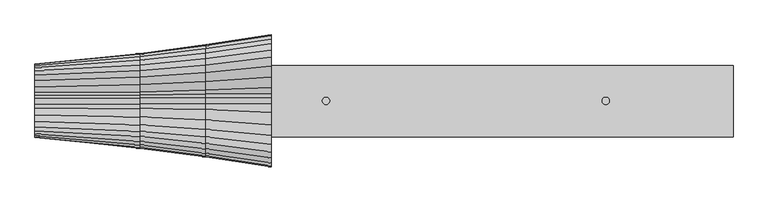
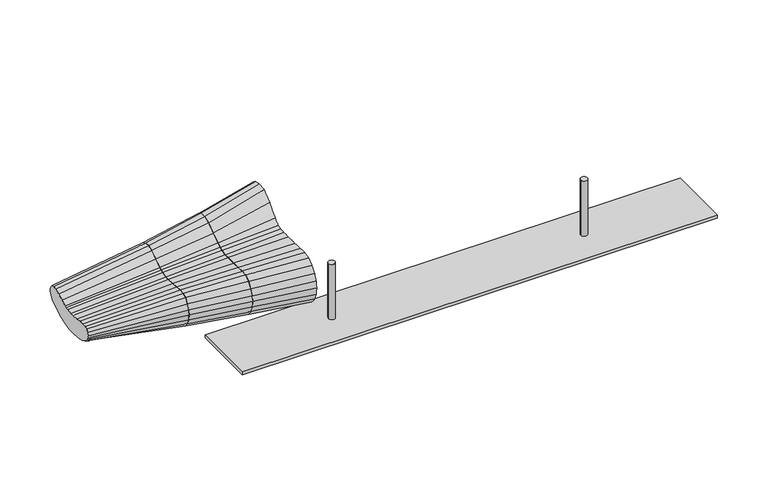
"""IFC4 building model written with IfcOpenShell, lengths in millimetres: furniture geometry."""

import ifcopenshell
import ifcopenshell.guid

model = None  # the IFC model being written
_history = None  # IfcOwnerHistory: only IFC2X3 demands one
_inside = {}  # id of a spatial element -> (the spatial element, [elements in it])
_under = {}  # id of a project, library or spatial element -> (it, [spatial elements below it])
_declared = {}  # id of a project -> (the project, [libraries it declares])
_typed = {}  # id of a type object -> (the type object, [elements of that type])
_made_of = {}  # id of a material, layer set ... -> (it, [elements and type objects made of it])


def new_model(schema):
    """Start an empty IFC model of exactly this schema.

    Asked for "IFC4X3", IfcOpenShell would pick the latest addendum, in which some entities
    have other attributes; the version numbers below select the first issue.
    IFC2X3 requires an IfcOwnerHistory on every rooted entity: one is made here for all.
    """
    global model, _history
    if schema == "IFC4X3":
        model = ifcopenshell.file(schema_version=(4, 3, 0, 0))
    else:
        model = ifcopenshell.file(schema=schema)
    _inside.clear()
    _under.clear()
    _declared.clear()
    _typed.clear()
    _made_of.clear()
    _history = None
    if model.schema == "IFC2X3":
        org = make("IfcOrganization", Name="unknown")
        user = make(
            "IfcPersonAndOrganization",
            ThePerson=make("IfcPerson", FamilyName="unknown"),
            TheOrganization=org,
        )
        app = make(
            "IfcApplication",
            ApplicationDeveloper=org,
            Version="unknown",
            ApplicationFullName="unknown",
            ApplicationIdentifier="unknown",
        )
        _history = make(
            "IfcOwnerHistory",
            OwningUser=user,
            OwningApplication=app,
            ChangeAction="ADDED",
            CreationDate=0,
        )
    return model


def make(cls, **values):
    """One entity of the class cls with the attributes given. An attribute that is None is left unset."""
    return model.create_entity(
        cls, **{name: value for name, value in values.items() if value is not None}
    )


def rooted(cls, **values):
    """An entity with a GlobalId (a new one), such as an element, a storey or a relation."""
    return make(cls, GlobalId=ifcopenshell.guid.new(), OwnerHistory=_history, **values)


def si_unit(unit_type, name, prefix=None):
    """IfcSIUnit, for example si_unit("LENGTHUNIT", "METRE", prefix="MILLI")."""
    return make("IfcSIUnit", UnitType=unit_type, Prefix=prefix, Name=name)


def assignment(units):
    """IfcUnitAssignment: the units of a project."""
    return None if units is None else make("IfcUnitAssignment", Units=units)


def point(xyz):
    """IfcCartesianPoint."""
    return None if xyz is None else make("IfcCartesianPoint", Coordinates=xyz)


def direction(xyz):
    """IfcDirection."""
    return None if xyz is None else make("IfcDirection", DirectionRatios=xyz)


def frame(location, z_axis=None, x_axis=None):
    """IfcAxis2Placement3D, a coordinate frame: its origin and axes. An axis left out is left unset."""
    return make(
        "IfcAxis2Placement3D",
        Location=point(location),
        Axis=direction(z_axis),
        RefDirection=direction(x_axis),
    )


def frame_2d(location, x_axis=None):
    """IfcAxis2Placement2D, a coordinate frame in the plane: its origin and x axis."""
    return make(
        "IfcAxis2Placement2D", Location=point(location), RefDirection=direction(x_axis)
    )


def origin():
    """The frame at (0, 0, 0) with its axes left unset."""
    return frame((0.0, 0.0, 0.0))


def origin_with_axes():
    """The frame at (0, 0, 0) with the z axis (0, 0, 1) and the x axis (1, 0, 0) written out."""
    return frame((0.0, 0.0, 0.0), z_axis=(0.0, 0.0, 1.0), x_axis=(1.0, 0.0, 0.0))


def place(relative_to, where):
    """IfcLocalPlacement: puts the frame where relative to a parent placement (None: the world)."""
    return make(
        "IfcLocalPlacement", PlacementRelTo=relative_to, RelativePlacement=where
    )


def context(
    kind, dimensions, precision=None, world=None, true_north=None, identifier=None
):
    """IfcGeometricRepresentationContext, for example the 3D "Model" context."""
    return make(
        "IfcGeometricRepresentationContext",
        ContextIdentifier=identifier,
        ContextType=kind,
        CoordinateSpaceDimension=dimensions,
        Precision=precision,
        WorldCoordinateSystem=world,
        TrueNorth=true_north,
    )


def project(units=None, contexts=None):
    """IfcProject with its units and contexts."""
    return rooted(
        "IfcProject",
        Name="project",
        RepresentationContexts=contexts,
        UnitsInContext=assignment(units),
    )


def spatial(cls, under=None, at=None, **own):
    """A site, building, storey or space (cls), placed at a placement, below another one or the project."""
    s = rooted(cls, ObjectPlacement=at, **own)
    if under is not None:
        _under.setdefault(under.id(), (under, []))[1].append(s)
    return s


def polyline(points):
    """IfcPolyline through the points."""
    return make("IfcPolyline", Points=[point(p) for p in points])


def circle_curve(where, radius):
    """IfcCircle in the frame where."""
    return make("IfcCircle", Position=where, Radius=radius)


def trimmed(basis, trim1, trim2, sense, master):
    """IfcTrimmedCurve: the piece of a basis curve between two trims."""
    return make(
        "IfcTrimmedCurve",
        BasisCurve=basis,
        Trim1=trim1,
        Trim2=trim2,
        SenseAgreement=sense,
        MasterRepresentation=master,
    )


def segment(curve, same_sense, transition):
    """IfcCompositeCurveSegment."""
    return make(
        "IfcCompositeCurveSegment",
        Transition=transition,
        SameSense=same_sense,
        ParentCurve=curve,
    )


def composite_curve(segments, self_intersect=None):
    """IfcCompositeCurve: segments joined end to end."""
    return make("IfcCompositeCurve", Segments=segments, SelfIntersect=self_intersect)


def outline(outer, holes=None, kind="AREA"):
    """IfcArbitraryClosedProfileDef: a profile drawn as a closed curve; with holes, ...WithVoids."""
    if holes is None:
        return make("IfcArbitraryClosedProfileDef", ProfileType=kind, OuterCurve=outer)
    return make(
        "IfcArbitraryProfileDefWithVoids",
        ProfileType=kind,
        OuterCurve=outer,
        InnerCurves=holes,
    )


def extrude(swept, where, along, depth):
    """IfcExtrudedAreaSolid: the profile swept, set in the frame where, extruded along a direction by depth."""
    return make(
        "IfcExtrudedAreaSolid",
        SweptArea=swept,
        Position=where,
        ExtrudedDirection=direction(along),
        Depth=depth,
    )


def shape(context_of_items, identifier, shape_type, items):
    """IfcShapeRepresentation: the items that make up one representation, for example the "Body"."""
    return make(
        "IfcShapeRepresentation",
        ContextOfItems=context_of_items,
        RepresentationIdentifier=identifier,
        RepresentationType=shape_type,
        Items=items,
    )


def source(mapping_origin, context_of_items, identifier, shape_type, items):
    """IfcRepresentationMap: a shape defined once, which mapped items show again and again."""
    return make(
        "IfcRepresentationMap",
        MappingOrigin=mapping_origin,
        MappedRepresentation=shape(context_of_items, identifier, shape_type, items),
    )


def transform(
    local_origin,
    x_axis=None,
    y_axis=None,
    z_axis=None,
    scale=None,
    scale2=None,
    scale3=None,
    uniform=True,
):
    """IfcCartesianTransformationOperator3D, or its non-uniform kind. x_axis, y_axis, z_axis: its Axis1, 2, 3."""
    if uniform:
        return make(
            "IfcCartesianTransformationOperator3D",
            Axis1=direction(x_axis),
            Axis2=direction(y_axis),
            LocalOrigin=point(local_origin),
            Scale=scale,
            Axis3=direction(z_axis),
        )
    return make(
        "IfcCartesianTransformationOperator3DnonUniform",
        Axis1=direction(x_axis),
        Axis2=direction(y_axis),
        LocalOrigin=point(local_origin),
        Scale=scale,
        Axis3=direction(z_axis),
        Scale2=scale2,
        Scale3=scale3,
    )


def mapped(mapping_source, mapping_target):
    """IfcMappedItem: shows the shape of a source again, moved by a transform."""
    return make(
        "IfcMappedItem", MappingSource=mapping_source, MappingTarget=mapping_target
    )


def made_of(thing, what):
    """Note that an element or type object is made of a material, layer set ...; save() writes the relation."""
    if what is not None:
        _made_of.setdefault(what.id(), (what, []))[1].append(thing)
    return thing


def element(
    cls,
    number,
    at=None,
    inside=None,
    cuts=None,
    type_object=None,
    material=None,
    context=None,
    identifier="Body",
    shape_type=None,
    held_by="IfcProductDefinitionShape",
    body=None,
    shapes=None,
    **own,
):
    """One element of the class cls, such as IfcWall. Its Tag is "e" and its number.

    at: its placement. inside: the storey or other place that contains it. cuts: it is an
    opening in that element (IfcRelVoidsElement). A single representation is given by context,
    identifier, shape_type and body (its items); several are given by shapes. held_by: the class
    of the entity that holds the representations. save() writes the other relations.
    """
    e = rooted(cls, Tag="e%d" % number, ObjectPlacement=at, **own)
    if body is not None:
        shapes = [shape(context, identifier, shape_type, body)]
    if shapes is not None:
        e.Representation = make(held_by, Representations=shapes)
    if inside is not None:
        _inside.setdefault(inside.id(), (inside, []))[1].append(e)
    if cuts is not None:
        rooted(
            "IfcRelVoidsElement", RelatingBuildingElement=cuts, RelatedOpeningElement=e
        )
    if type_object is not None:
        _typed.setdefault(type_object.id(), (type_object, []))[1].append(e)
    return made_of(e, material)


def aggregate(whole, parts):
    """IfcRelAggregates: a whole, such as a stair, and the parts it consists of."""
    return rooted("IfcRelAggregates", RelatingObject=whole, RelatedObjects=parts)


def save(model, path):
    """Write the relations noted so far, then the file.

    IfcRelAggregates (storeys below a building ...), IfcRelContainedInSpatialStructure (elements
    in a storey), IfcRelDefinesByType, IfcRelAssociatesMaterial and IfcRelDeclares: one each for
    every whole, place, type object, material and project.
    """
    for whole, parts in _under.values():
        aggregate(whole, parts)
    for where, things in _inside.values():
        rooted(
            "IfcRelContainedInSpatialStructure",
            RelatedElements=things,
            RelatingStructure=where,
        )
    for kind, things in _typed.values():
        rooted("IfcRelDefinesByType", RelatedObjects=things, RelatingType=kind)
    for what, things in _made_of.values():
        rooted("IfcRelAssociatesMaterial", RelatedObjects=things, RelatingMaterial=what)
    for by, libraries in _declared.values():
        rooted("IfcRelDeclares", RelatingContext=by, RelatedDefinitions=libraries)
    model.write(path)


def plane_surface(at):
    """IfcPlane: the flat surface through the origin of the frame at, square to its z axis."""
    return make("IfcPlane", Position=at)


def spline_surface(u_degree, v_degree, points, u_multiplicities, v_multiplicities, u_knots, v_knots, weights=None):
    """IfcBSplineSurfaceWithKnots; with weights, IfcRationalBSplineSurfaceWithKnots. points: one row for each step in u."""
    own = dict(
        UDegree=u_degree,
        VDegree=v_degree,
        ControlPointsList=[[point(p) for p in row] for row in points],
        SurfaceForm="UNSPECIFIED",
        UClosed=False,
        VClosed=False,
        SelfIntersect=False,
        UMultiplicities=u_multiplicities,
        VMultiplicities=v_multiplicities,
        UKnots=u_knots,
        VKnots=v_knots,
        KnotSpec="UNSPECIFIED",
    )
    if weights is None:
        return make("IfcBSplineSurfaceWithKnots", **own)
    return make("IfcRationalBSplineSurfaceWithKnots", WeightsData=weights, **own)


def advanced_brep(points, edges, surfaces, faces):
    """IfcAdvancedBrep: a solid bounded by faces that lie on surfaces and meet in shared edges.

    An edge is (start, end): straight between two places in points (the first is 0);
    or (start, end, curve); or (start, end, curve, False) where it runs against its curve.
    A face is (place in surfaces, loops), or (place, loops, False) where it looks against
    its surface's normal. A loop lists edges by number (the first is 1), with a minus sign
    where the edge is run from its end to its start. The first loop is the outer one.
    """
    corners = [point(p) for p in points]
    vertices = [make("IfcVertexPoint", VertexGeometry=c) for c in corners]
    made = []
    for start, end, *more in edges:
        made.append(
            make(
                "IfcEdgeCurve",
                EdgeStart=vertices[start],
                EdgeEnd=vertices[end],
                EdgeGeometry=more[0] if more else make("IfcPolyline", Points=[corners[start], corners[end]]),
                SameSense=more[1] if len(more) > 1 else True,
            )
        )
    hull = []
    for where, loops, *sense in faces:
        bounds = []
        for j, loop in enumerate(loops):
            ring = [make("IfcOrientedEdge", EdgeElement=made[abs(k) - 1], Orientation=k > 0) for k in loop]
            bounds.append(
                make(
                    "IfcFaceOuterBound" if j == 0 else "IfcFaceBound",
                    Bound=make("IfcEdgeLoop", EdgeList=ring),
                    Orientation=True,
                )
            )
        hull.append(make("IfcAdvancedFace", Bounds=bounds, FaceSurface=surfaces[where], SameSense=sense[0] if sense else True))
    return make("IfcAdvancedBrep", Outer=make("IfcClosedShell", CfsFaces=hull))


def furniture_f8c9f917(model_context):
    return source(origin(), model_context, "Body", "SolidModel", [
        advanced_brep(
        [(-683.6527292, -227.4947259, 367.427609), (-683.6527292, -231.2008769, 341.0958587), (-683.6527292, -227.4689281, 313.2198712), (-683.6527292, -216.8093498, 287.2412607), (-683.6527292, -198.7377784, 264.1808042), (-683.6527292, -169.4444356, 248.7341998), (-683.6527292, -116.3975646, 235.0542754), (-683.6527292, -44.0139241, 226.7510395), (-683.6527292, 0.0, 226.577558), (-683.6527292, 44.1240146, 232.0407057), (-683.6527292, 114.932029, 247.9028734), (-683.6527292, 155.1426923, 272.4848758), (-683.6527292, 177.7269061, 289.4243578), (-683.6527292, 203.1050809, 319.6454601), (-683.6527292, 223.9890714, 359.0169668), (-683.6527292, 231.2008769, 411.6522715), (-683.6527292, 227.4947259, 458.7724694), (-683.6527292, 216.8380544, 490.8662953), (-683.6527292, 199.7310499, 512.9957585), (-683.6527292, 177.7669109, 529.316274), (-683.6527292, 152.5168533, 534.1466114), (-683.6527292, 121.8045383, 531.6729615), (-683.6527292, 83.4446432, 500.5646496), (-683.6527292, 47.1601437, 459.0756486), (-683.6527292, 26.0260436, 441.5130578), (-683.6527292, 9.9732296, 436.2193766), (-683.6527292, -10.5670489, 435.600628), (-683.6527292, -41.4584705, 435.1932764), (-683.6527292, -83.4446432, 435.3574379), (-683.6527292, -121.8045383, 437.3336254), (-683.6527292, -152.5168533, 438.6781291), (-683.6527292, -177.7669109, 432.0204323), (-683.6527292, -199.7310499, 415.2632066), (-683.6527292, -216.8380544, 392.1477571), (-910.9237405, -192.6913452, 365.9316974), (-910.9237405, -183.0976902, 388.399621), (-910.9237405, -167.7064967, 410.1720566), (-910.9237405, -148.0869548, 424.6982411), (-910.9237405, -125.8084273, 426.040056), (-910.9237405, -99.4316488, 425.0366652), (-910.9237405, -67.517345, 423.642637), (-910.9237405, -30.6347466, 423.5670238), (-910.9237405, -10.5659805, 423.0733767), (-910.9237405, 9.7496888, 428.8164854), (-910.9237405, 23.5020447, 433.307563), (-910.9237405, 37.2542508, 443.7289109), (-910.9237405, 67.5171906, 464.5594345), (-910.9237405, 99.4316488, 487.249801), (-910.9237405, 125.8084273, 497.9096518), (-910.9237405, 148.0868003, 498.3507222), (-910.9237405, 167.7064967, 485.1114867), (-910.9237405, 183.0976902, 464.13268), (-910.9237405, 192.6911817, 437.5545422), (-910.9237405, 196.0386518, 403.0430586), (-910.9237405, 187.6781519, 366.1150437), (-910.9237405, 174.6185566, 331.942275), (-910.9237405, 155.2252999, 303.9373346), (-910.9237405, 134.9873546, 285.8266487), (-910.9237405, 92.6081464, 266.1832983), (-910.9237405, 36.0640164, 245.8591391), (-910.9237405, 0.0, 236.3880057), (-910.9237405, -33.9640424, 239.0120098), (-910.9237405, -94.073691, 245.9588423), (-910.9237405, -141.8395617, 261.6403343), (-910.9237405, -167.7064967, 274.2216884), (-910.9237405, -184.1712802, 295.4385438), (-910.9237405, -193.1368848, 319.7888743), (-910.9237405, -196.4842096, 345.5392284)],
        [
            (0, 1),
            (1, 2),
            (2, 3),
            (3, 4),
            (4, 5),
            (5, 6),
            (6, 7),
            (7, 8),
            (8, 9),
            (9, 10),
            (10, 11),
            (11, 12),
            (12, 13),
            (13, 14),
            (14, 15),
            (15, 16),
            (16, 17),
            (17, 18),
            (18, 19),
            (19, 20),
            (20, 21),
            (21, 22),
            (22, 23),
            (23, 24),
            (24, 25),
            (25, 26),
            (26, 27),
            (27, 28),
            (28, 29),
            (29, 30),
            (30, 31),
            (31, 32),
            (32, 33),
            (33, 0),
            (34, 35),
            (35, 36),
            (36, 37),
            (37, 38),
            (38, 39),
            (39, 40),
            (40, 41),
            (41, 42),
            (42, 43),
            (43, 44),
            (44, 45),
            (45, 46),
            (46, 47),
            (47, 48),
            (48, 49),
            (49, 50),
            (50, 51),
            (51, 52),
            (52, 53),
            (53, 54),
            (54, 55),
            (55, 56),
            (56, 57),
            (57, 58),
            (58, 59),
            (59, 60),
            (60, 61),
            (61, 62),
            (62, 63),
            (63, 64),
            (64, 65),
            (65, 66),
            (66, 67),
            (67, 34),
            (34, 0),
            (33, 35),
            (32, 36),
            (31, 37),
            (30, 38),
            (29, 39),
            (28, 40),
            (27, 41),
            (26, 42),
            (25, 43),
            (24, 44),
            (23, 45),
            (22, 46),
            (21, 47),
            (20, 48),
            (19, 49),
            (18, 50),
            (17, 51),
            (16, 52),
            (15, 53),
            (14, 54),
            (13, 55),
            (12, 56),
            (11, 57),
            (10, 58),
            (9, 59),
            (8, 60),
            (7, 61),
            (6, 62),
            (5, 63),
            (4, 64),
            (3, 65),
            (2, 66),
            (1, 67),
        ],
        [
            plane_surface(frame((-683.6527292, -0.668185, 381.152576), z_axis=(1.0, 0.0, 0.0), x_axis=(0.0, 0.6116033969807337, -0.791164511844172))),
            plane_surface(frame((-910.9237405, -0.1426825, 375.652264), z_axis=(-1.0, 0.0, 0.0), x_axis=(0.0, 0.6116033969807337, -0.791164511844172))),
            spline_surface(1, 1, [[(-910.9237405, -183.0976902, 388.399621), (-683.6527292, -216.8380544, 392.1477571)], [(-910.9237405, -192.6913452, 365.9316974), (-683.6527292, -227.4947259, 367.427609)]], [2, 2], [2, 2], [0.0, 1.0], [0.0, 1.0]),
            spline_surface(1, 1, [[(-910.9237405, -167.7064967, 410.1720566), (-683.6527292, -199.7310499, 415.2632066)], [(-910.9237405, -183.0976902, 388.399621), (-683.6527292, -216.8380544, 392.1477571)]], [2, 2], [2, 2], [0.0, 1.0], [0.0, 1.0]),
            spline_surface(1, 1, [[(-910.9237405, -148.0869548, 424.6982411), (-683.6527292, -177.7669109, 432.0204323)], [(-910.9237405, -167.7064967, 410.1720566), (-683.6527292, -199.7310499, 415.2632066)]], [2, 2], [2, 2], [0.0, 1.0], [0.0, 1.0]),
            spline_surface(1, 1, [[(-910.9237405, -125.8084273, 426.040056), (-683.6527292, -152.5168533, 438.6781291)], [(-910.9237405, -148.0869548, 424.6982411), (-683.6527292, -177.7669109, 432.0204323)]], [2, 2], [2, 2], [0.0, 1.0], [0.0, 1.0]),
            spline_surface(1, 1, [[(-910.9237405, -99.4316488, 425.0366652), (-683.6527292, -121.8045383, 437.3336254)], [(-910.9237405, -125.8084273, 426.040056), (-683.6527292, -152.5168533, 438.6781291)]], [2, 2], [2, 2], [0.0, 1.0], [0.0, 1.0]),
            spline_surface(1, 1, [[(-910.9237405, -67.517345, 423.642637), (-683.6527292, -83.4446432, 435.3574379)], [(-910.9237405, -99.4316488, 425.0366652), (-683.6527292, -121.8045383, 437.3336254)]], [2, 2], [2, 2], [0.0, 1.0], [0.0, 1.0]),
            spline_surface(1, 1, [[(-910.9237405, -30.6347466, 423.5670238), (-683.6527292, -41.4584705, 435.1932764)], [(-910.9237405, -67.517345, 423.642637), (-683.6527292, -83.4446432, 435.3574379)]], [2, 2], [2, 2], [0.0, 1.0], [0.0, 1.0]),
            spline_surface(1, 1, [[(-910.9237405, -10.5659805, 423.0733767), (-683.6527292, -10.5670489, 435.600628)], [(-910.9237405, -30.6347466, 423.5670238), (-683.6527292, -41.4584705, 435.1932764)]], [2, 2], [2, 2], [0.0, 1.0], [0.0, 1.0]),
            spline_surface(1, 1, [[(-910.9237405, 9.7496888, 428.8164854), (-683.6527292, 9.9732296, 436.2193766)], [(-910.9237405, -10.5659805, 423.0733767), (-683.6527292, -10.5670489, 435.600628)]], [2, 2], [2, 2], [0.0, 1.0], [0.0, 1.0]),
            spline_surface(1, 1, [[(-910.9237405, 23.5020447, 433.307563), (-683.6527292, 26.0260436, 441.5130578)], [(-910.9237405, 9.7496888, 428.8164854), (-683.6527292, 9.9732296, 436.2193766)]], [2, 2], [2, 2], [0.0, 1.0], [0.0, 1.0]),
            spline_surface(1, 1, [[(-910.9237405, 37.2542508, 443.7289109), (-683.6527292, 47.1601437, 459.0756486)], [(-910.9237405, 23.5020447, 433.307563), (-683.6527292, 26.0260436, 441.5130578)]], [2, 2], [2, 2], [0.0, 1.0], [0.0, 1.0]),
            spline_surface(1, 1, [[(-910.9237405, 67.5171906, 464.5594345), (-683.6527292, 83.4446432, 500.5646496)], [(-910.9237405, 37.2542508, 443.7289109), (-683.6527292, 47.1601437, 459.0756486)]], [2, 2], [2, 2], [0.0, 1.0], [0.0, 1.0]),
            spline_surface(1, 1, [[(-910.9237405, 99.4316488, 487.249801), (-683.6527292, 121.8045383, 531.6729615)], [(-910.9237405, 67.5171906, 464.5594345), (-683.6527292, 83.4446432, 500.5646496)]], [2, 2], [2, 2], [0.0, 1.0], [0.0, 1.0]),
            spline_surface(1, 1, [[(-910.9237405, 125.8084273, 497.9096518), (-683.6527292, 152.5168533, 534.1466114)], [(-910.9237405, 99.4316488, 487.249801), (-683.6527292, 121.8045383, 531.6729615)]], [2, 2], [2, 2], [0.0, 1.0], [0.0, 1.0]),
            spline_surface(1, 1, [[(-910.9237405, 148.0868003, 498.3507222), (-683.6527292, 177.7669109, 529.316274)], [(-910.9237405, 125.8084273, 497.9096518), (-683.6527292, 152.5168533, 534.1466114)]], [2, 2], [2, 2], [0.0, 1.0], [0.0, 1.0]),
            spline_surface(1, 1, [[(-910.9237405, 167.7064967, 485.1114867), (-683.6527292, 199.7310499, 512.9957585)], [(-910.9237405, 148.0868003, 498.3507222), (-683.6527292, 177.7669109, 529.316274)]], [2, 2], [2, 2], [0.0, 1.0], [0.0, 1.0]),
            spline_surface(1, 1, [[(-910.9237405, 183.0976902, 464.13268), (-683.6527292, 216.8380544, 490.8662953)], [(-910.9237405, 167.7064967, 485.1114867), (-683.6527292, 199.7310499, 512.9957585)]], [2, 2], [2, 2], [0.0, 1.0], [0.0, 1.0]),
            spline_surface(1, 1, [[(-910.9237405, 192.6911817, 437.5545422), (-683.6527292, 227.4947259, 458.7724694)], [(-910.9237405, 183.0976902, 464.13268), (-683.6527292, 216.8380544, 490.8662953)]], [2, 2], [2, 2], [0.0, 1.0], [0.0, 1.0]),
            spline_surface(1, 1, [[(-910.9237405, 196.0386518, 403.0430586), (-683.6527292, 231.2008769, 411.6522715)], [(-910.9237405, 192.6911817, 437.5545422), (-683.6527292, 227.4947259, 458.7724694)]], [2, 2], [2, 2], [0.0, 1.0], [0.0, 1.0]),
            spline_surface(1, 1, [[(-910.9237405, 187.6781519, 366.1150437), (-683.6527292, 223.9890714, 359.0169668)], [(-910.9237405, 196.0386518, 403.0430586), (-683.6527292, 231.2008769, 411.6522715)]], [2, 2], [2, 2], [0.0, 1.0], [0.0, 1.0]),
            spline_surface(1, 1, [[(-910.9237405, 174.6185566, 331.942275), (-683.6527292, 203.1050809, 319.6454601)], [(-910.9237405, 187.6781519, 366.1150437), (-683.6527292, 223.9890714, 359.0169668)]], [2, 2], [2, 2], [0.0, 1.0], [0.0, 1.0]),
            spline_surface(1, 1, [[(-910.9237405, 155.2252999, 303.9373346), (-683.6527292, 177.7269061, 289.4243578)], [(-910.9237405, 174.6185566, 331.942275), (-683.6527292, 203.1050809, 319.6454601)]], [2, 2], [2, 2], [0.0, 1.0], [0.0, 1.0]),
            spline_surface(1, 1, [[(-910.9237405, 134.9873546, 285.8266487), (-683.6527292, 155.1426923, 272.4848758)], [(-910.9237405, 155.2252999, 303.9373346), (-683.6527292, 177.7269061, 289.4243578)]], [2, 2], [2, 2], [0.0, 1.0], [0.0, 1.0]),
            spline_surface(1, 1, [[(-910.9237405, 92.6081464, 266.1832983), (-683.6527292, 114.932029, 247.9028734)], [(-910.9237405, 134.9873546, 285.8266487), (-683.6527292, 155.1426923, 272.4848758)]], [2, 2], [2, 2], [0.0, 1.0], [0.0, 1.0]),
            spline_surface(1, 1, [[(-910.9237405, 36.0640164, 245.8591391), (-683.6527292, 44.1240146, 232.0407057)], [(-910.9237405, 92.6081464, 266.1832983), (-683.6527292, 114.932029, 247.9028734)]], [2, 2], [2, 2], [0.0, 1.0], [0.0, 1.0]),
            spline_surface(1, 1, [[(-910.9237405, 0.0, 236.3880057), (-683.6527292, 0.0, 226.577558)], [(-910.9237405, 36.0640164, 245.8591391), (-683.6527292, 44.1240146, 232.0407057)]], [2, 2], [2, 2], [0.0, 1.0], [0.0, 1.0]),
            spline_surface(1, 1, [[(-910.9237405, -33.9640424, 239.0120098), (-683.6527292, -44.0139241, 226.7510395)], [(-910.9237405, 0.0, 236.3880057), (-683.6527292, 0.0, 226.577558)]], [2, 2], [2, 2], [0.0, 1.0], [0.0, 1.0]),
            spline_surface(1, 1, [[(-910.9237405, -94.073691, 245.9588423), (-683.6527292, -116.3975646, 235.0542754)], [(-910.9237405, -33.9640424, 239.0120098), (-683.6527292, -44.0139241, 226.7510395)]], [2, 2], [2, 2], [0.0, 1.0], [0.0, 1.0]),
            spline_surface(1, 1, [[(-910.9237405, -141.8395617, 261.6403343), (-683.6527292, -169.4444356, 248.7341998)], [(-910.9237405, -94.073691, 245.9588423), (-683.6527292, -116.3975646, 235.0542754)]], [2, 2], [2, 2], [0.0, 1.0], [0.0, 1.0]),
            spline_surface(1, 1, [[(-910.9237405, -167.7064967, 274.2216884), (-683.6527292, -198.7377784, 264.1808042)], [(-910.9237405, -141.8395617, 261.6403343), (-683.6527292, -169.4444356, 248.7341998)]], [2, 2], [2, 2], [0.0, 1.0], [0.0, 1.0]),
            spline_surface(1, 1, [[(-910.9237405, -184.1712802, 295.4385438), (-683.6527292, -216.8093498, 287.2412607)], [(-910.9237405, -167.7064967, 274.2216884), (-683.6527292, -198.7377784, 264.1808042)]], [2, 2], [2, 2], [0.0, 1.0], [0.0, 1.0]),
            spline_surface(1, 1, [[(-910.9237405, -193.1368848, 319.7888743), (-683.6527292, -227.4689281, 313.2198712)], [(-910.9237405, -184.1712802, 295.4385438), (-683.6527292, -216.8093498, 287.2412607)]], [2, 2], [2, 2], [0.0, 1.0], [0.0, 1.0]),
            spline_surface(1, 1, [[(-910.9237405, -196.4842096, 345.5392284), (-683.6527292, -231.2008769, 341.0958587)], [(-910.9237405, -193.1368848, 319.7888743), (-683.6527292, -227.4689281, 313.2198712)]], [2, 2], [2, 2], [0.0, 1.0], [0.0, 1.0]),
            spline_surface(1, 1, [[(-910.9237405, -192.6913452, 365.9316974), (-683.6527292, -227.4947259, 367.427609)], [(-910.9237405, -196.4842096, 345.5392284), (-683.6527292, -231.2008769, 341.0958587)]], [2, 2], [2, 2], [0.0, 1.0], [0.0, 1.0]),
        ],
        [
            (0, [[1, 2, 3, 4, 5, 6, 7, 8, 9, 10, 11, 12, 13, 14, 15, 16, 17, 18, 19, 20, 21, 22, 23, 24, 25, 26, 27, 28, 29, 30, 31, 32, 33, 34]]),
            (1, [[35, 36, 37, 38, 39, 40, 41, 42, 43, 44, 45, 46, 47, 48, 49, 50, 51, 52, 53, 54, 55, 56, 57, 58, 59, 60, 61, 62, 63, 64, 65, 66, 67, 68]]),
            (2, [[-35, 69, -34, 70]]),
            (3, [[-36, -70, -33, 71]]),
            (4, [[-37, -71, -32, 72]]),
            (5, [[-38, -72, -31, 73]]),
            (6, [[-39, -73, -30, 74]]),
            (7, [[-40, -74, -29, 75]]),
            (8, [[-41, -75, -28, 76]]),
            (9, [[-42, -76, -27, 77]]),
            (10, [[-43, -77, -26, 78]]),
            (11, [[-44, -78, -25, 79]]),
            (12, [[-45, -79, -24, 80]]),
            (13, [[-46, -80, -23, 81]]),
            (14, [[-47, -81, -22, 82]]),
            (15, [[-48, -82, -21, 83]]),
            (16, [[-49, -83, -20, 84]]),
            (17, [[-50, -84, -19, 85]]),
            (18, [[-51, -85, -18, 86]]),
            (19, [[-52, -86, -17, 87]]),
            (20, [[-53, -87, -16, 88]]),
            (21, [[-54, -88, -15, 89]]),
            (22, [[-55, -89, -14, 90]]),
            (23, [[-56, -90, -13, 91]]),
            (24, [[-57, -91, -12, 92]]),
            (25, [[-58, -92, -11, 93]]),
            (26, [[-59, -93, -10, 94]]),
            (27, [[-60, -94, -9, 95]]),
            (28, [[-61, -95, -8, 96]]),
            (29, [[-62, -96, -7, 97]]),
            (30, [[-63, -97, -6, 98]]),
            (31, [[-64, -98, -5, 99]]),
            (32, [[-65, -99, -4, 100]]),
            (33, [[-66, -100, -3, 101]]),
            (34, [[-67, -101, -2, 102]]),
            (35, [[-68, -102, -1, -69]]),
        ],
    ),
        advanced_brep(
        [(-911.9284757, 125.8084273, 497.9096518), (-911.9284757, 99.4316488, 487.249801), (-911.9284757, 67.5171906, 464.5594345), (-911.9284757, 37.2542508, 443.7289109), (-911.9284757, 23.5020447, 433.307563), (-911.9284757, 9.7496888, 428.8164854), (-911.9284757, -10.5659805, 423.0733767), (-911.9284757, -30.6347466, 423.5670238), (-911.9284757, -67.517345, 423.642637), (-911.9284757, -99.4316488, 425.0366652), (-911.9284757, -125.8084273, 426.040056), (-911.9284757, -148.0869548, 424.6982411), (-911.9284757, -167.7064967, 410.1720566), (-911.9284757, -183.0976902, 388.399621), (-911.9284757, -192.6913452, 365.9316974), (-911.9284757, -196.4842096, 345.5392284), (-911.9284757, -193.1368848, 319.7888743), (-911.9284757, -184.1712802, 295.4385438), (-911.9284757, -167.7064967, 274.2216884), (-911.9284757, -141.8395617, 261.6403343), (-911.9284757, -94.073691, 245.9588423), (-911.9284757, -33.9640424, 239.0120098), (-911.9284757, 0.0, 236.3880057), (-911.9284757, 36.0640164, 245.8591391), (-911.9284757, 92.6081464, 266.1832983), (-911.9284757, 134.9873546, 285.8266487), (-911.9284757, 155.2252999, 303.9373346), (-911.9284757, 174.6185566, 331.942275), (-911.9284757, 187.6781519, 366.1150437), (-911.9284757, 196.0386518, 403.0430586), (-911.9284757, 192.6911817, 437.5545422), (-911.9284757, 183.0976902, 464.13268), (-911.9284757, 167.7064967, 485.1114867), (-911.9284757, 148.0868003, 498.3507222), (-1140.1810405, 106.2362117, 470.852655), (-1140.1810405, 125.2677444, 468.9080063), (-1140.1810405, 141.9264387, 462.5416434), (-1140.1810405, 154.9466469, 445.8054193), (-1140.1810405, 163.0622126, 424.2558263), (-1140.1810405, 165.8938893, 397.8062779), (-1140.1810405, 156.4086579, 372.9298167), (-1140.1810405, 146.4675042, 347.5870322), (-1140.1810405, 129.4453964, 326.4132883), (-1140.1810405, 112.1635661, 310.5622936), (-1140.1810405, 76.8941618, 287.8831183), (-1140.1810405, 30.2763792, 266.553352), (-1140.1810405, 0.0, 256.5882444), (-1140.1810405, -28.1764051, 258.5126727), (-1140.1810405, -78.3596974, 266.4864048), (-1140.1810405, -119.0156188, 281.2368489), (-1140.1810405, -141.9265931, 292.1468661), (-1140.1810405, -154.9466469, 308.1395854), (-1140.1810405, -163.0622126, 329.0616732), (-1140.1810405, -165.8938893, 351.69503), (-1140.1810405, -163.0622126, 369.6281287), (-1140.1810405, -154.9466469, 389.1131312), (-1140.1810405, -141.9265931, 407.7404826), (-1140.1810405, -125.2677444, 415.1289851), (-1140.1810405, -106.2362117, 418.2673837), (-1140.1810405, -83.7630104, 416.2499923), (-1140.1810405, -56.5870393, 413.1708924), (-1140.1810405, -26.2422572, 411.1880919), (-1140.1810405, -10.5618576, 411.9399356), (-1140.1810405, 9.9187192, 417.8136686), (-1140.1810405, 20.4054519, 422.2302232), (-1140.1810405, 30.8921846, 426.6468141), (-1140.1810405, 56.5870393, 446.0768417), (-1140.1810405, 83.7630104, 464.4063915)],
        [
            (0, 1),
            (1, 2),
            (2, 3),
            (3, 4),
            (4, 5),
            (5, 6),
            (6, 7),
            (7, 8),
            (8, 9),
            (9, 10),
            (10, 11),
            (11, 12),
            (12, 13),
            (13, 14),
            (14, 15),
            (15, 16),
            (16, 17),
            (17, 18),
            (18, 19),
            (19, 20),
            (20, 21),
            (21, 22),
            (22, 23),
            (23, 24),
            (24, 25),
            (25, 26),
            (26, 27),
            (27, 28),
            (28, 29),
            (29, 30),
            (30, 31),
            (31, 32),
            (32, 33),
            (33, 0),
            (34, 35),
            (35, 36),
            (36, 37),
            (37, 38),
            (38, 39),
            (39, 40),
            (40, 41),
            (41, 42),
            (42, 43),
            (43, 44),
            (44, 45),
            (45, 46),
            (46, 47),
            (47, 48),
            (48, 49),
            (49, 50),
            (50, 51),
            (51, 52),
            (52, 53),
            (53, 54),
            (54, 55),
            (55, 56),
            (56, 57),
            (57, 58),
            (58, 59),
            (59, 60),
            (60, 61),
            (61, 62),
            (62, 63),
            (63, 64),
            (64, 65),
            (65, 66),
            (66, 67),
            (67, 34),
            (34, 0),
            (33, 35),
            (32, 36),
            (31, 37),
            (30, 38),
            (29, 39),
            (28, 40),
            (27, 41),
            (26, 42),
            (25, 43),
            (24, 44),
            (23, 45),
            (22, 46),
            (21, 47),
            (20, 48),
            (19, 49),
            (18, 50),
            (17, 51),
            (16, 52),
            (15, 53),
            (14, 54),
            (13, 55),
            (12, 56),
            (11, 57),
            (10, 58),
            (9, 59),
            (8, 60),
            (7, 61),
            (6, 62),
            (5, 63),
            (4, 64),
            (3, 65),
            (2, 66),
            (1, 67),
        ],
        [
            plane_surface(frame((-911.9284757, -0.1426825, 375.652264), z_axis=(1.0, 0.0, 0.0), x_axis=(0.0, 0.09654274970373893, -0.9953288388666538))),
            plane_surface(frame((-1140.1810405, -0.2770418, 375.1637358), z_axis=(-1.0, 0.0, 0.0), x_axis=(0.0, 0.09654274970373893, -0.9953288388666538))),
            spline_surface(1, 1, [[(-1140.1810405, 125.2677444, 468.9080063), (-911.9284757, 148.0868003, 498.3507222)], [(-1140.1810405, 106.2362117, 470.852655), (-911.9284757, 125.8084273, 497.9096518)]], [2, 2], [2, 2], [0.0, 1.0], [0.0, 1.0]),
            spline_surface(1, 1, [[(-1140.1810405, 141.9264387, 462.5416434), (-911.9284757, 167.7064967, 485.1114867)], [(-1140.1810405, 125.2677444, 468.9080063), (-911.9284757, 148.0868003, 498.3507222)]], [2, 2], [2, 2], [0.0, 1.0], [0.0, 1.0]),
            spline_surface(1, 1, [[(-1140.1810405, 154.9466469, 445.8054193), (-911.9284757, 183.0976902, 464.13268)], [(-1140.1810405, 141.9264387, 462.5416434), (-911.9284757, 167.7064967, 485.1114867)]], [2, 2], [2, 2], [0.0, 1.0], [0.0, 1.0]),
            spline_surface(1, 1, [[(-1140.1810405, 163.0622126, 424.2558263), (-911.9284757, 192.6911817, 437.5545422)], [(-1140.1810405, 154.9466469, 445.8054193), (-911.9284757, 183.0976902, 464.13268)]], [2, 2], [2, 2], [0.0, 1.0], [0.0, 1.0]),
            spline_surface(1, 1, [[(-1140.1810405, 165.8938893, 397.8062779), (-911.9284757, 196.0386518, 403.0430586)], [(-1140.1810405, 163.0622126, 424.2558263), (-911.9284757, 192.6911817, 437.5545422)]], [2, 2], [2, 2], [0.0, 1.0], [0.0, 1.0]),
            spline_surface(1, 1, [[(-1140.1810405, 156.4086579, 372.9298167), (-911.9284757, 187.6781519, 366.1150437)], [(-1140.1810405, 165.8938893, 397.8062779), (-911.9284757, 196.0386518, 403.0430586)]], [2, 2], [2, 2], [0.0, 1.0], [0.0, 1.0]),
            spline_surface(1, 1, [[(-1140.1810405, 146.4675042, 347.5870322), (-911.9284757, 174.6185566, 331.942275)], [(-1140.1810405, 156.4086579, 372.9298167), (-911.9284757, 187.6781519, 366.1150437)]], [2, 2], [2, 2], [0.0, 1.0], [0.0, 1.0]),
            spline_surface(1, 1, [[(-1140.1810405, 129.4453964, 326.4132883), (-911.9284757, 155.2252999, 303.9373346)], [(-1140.1810405, 146.4675042, 347.5870322), (-911.9284757, 174.6185566, 331.942275)]], [2, 2], [2, 2], [0.0, 1.0], [0.0, 1.0]),
            spline_surface(1, 1, [[(-1140.1810405, 112.1635661, 310.5622936), (-911.9284757, 134.9873546, 285.8266487)], [(-1140.1810405, 129.4453964, 326.4132883), (-911.9284757, 155.2252999, 303.9373346)]], [2, 2], [2, 2], [0.0, 1.0], [0.0, 1.0]),
            spline_surface(1, 1, [[(-1140.1810405, 76.8941618, 287.8831183), (-911.9284757, 92.6081464, 266.1832983)], [(-1140.1810405, 112.1635661, 310.5622936), (-911.9284757, 134.9873546, 285.8266487)]], [2, 2], [2, 2], [0.0, 1.0], [0.0, 1.0]),
            spline_surface(1, 1, [[(-1140.1810405, 30.2763792, 266.553352), (-911.9284757, 36.0640164, 245.8591391)], [(-1140.1810405, 76.8941618, 287.8831183), (-911.9284757, 92.6081464, 266.1832983)]], [2, 2], [2, 2], [0.0, 1.0], [0.0, 1.0]),
            spline_surface(1, 1, [[(-1140.1810405, 0.0, 256.5882444), (-911.9284757, 0.0, 236.3880057)], [(-1140.1810405, 30.2763792, 266.553352), (-911.9284757, 36.0640164, 245.8591391)]], [2, 2], [2, 2], [0.0, 1.0], [0.0, 1.0]),
            spline_surface(1, 1, [[(-1140.1810405, -28.1764051, 258.5126727), (-911.9284757, -33.9640424, 239.0120098)], [(-1140.1810405, 0.0, 256.5882444), (-911.9284757, 0.0, 236.3880057)]], [2, 2], [2, 2], [0.0, 1.0], [0.0, 1.0]),
            spline_surface(1, 1, [[(-1140.1810405, -78.3596974, 266.4864048), (-911.9284757, -94.073691, 245.9588423)], [(-1140.1810405, -28.1764051, 258.5126727), (-911.9284757, -33.9640424, 239.0120098)]], [2, 2], [2, 2], [0.0, 1.0], [0.0, 1.0]),
            spline_surface(1, 1, [[(-1140.1810405, -119.0156188, 281.2368489), (-911.9284757, -141.8395617, 261.6403343)], [(-1140.1810405, -78.3596974, 266.4864048), (-911.9284757, -94.073691, 245.9588423)]], [2, 2], [2, 2], [0.0, 1.0], [0.0, 1.0]),
            spline_surface(1, 1, [[(-1140.1810405, -141.9265931, 292.1468661), (-911.9284757, -167.7064967, 274.2216884)], [(-1140.1810405, -119.0156188, 281.2368489), (-911.9284757, -141.8395617, 261.6403343)]], [2, 2], [2, 2], [0.0, 1.0], [0.0, 1.0]),
            spline_surface(1, 1, [[(-1140.1810405, -154.9466469, 308.1395854), (-911.9284757, -184.1712802, 295.4385438)], [(-1140.1810405, -141.9265931, 292.1468661), (-911.9284757, -167.7064967, 274.2216884)]], [2, 2], [2, 2], [0.0, 1.0], [0.0, 1.0]),
            spline_surface(1, 1, [[(-1140.1810405, -163.0622126, 329.0616732), (-911.9284757, -193.1368848, 319.7888743)], [(-1140.1810405, -154.9466469, 308.1395854), (-911.9284757, -184.1712802, 295.4385438)]], [2, 2], [2, 2], [0.0, 1.0], [0.0, 1.0]),
            spline_surface(1, 1, [[(-1140.1810405, -165.8938893, 351.69503), (-911.9284757, -196.4842096, 345.5392284)], [(-1140.1810405, -163.0622126, 329.0616732), (-911.9284757, -193.1368848, 319.7888743)]], [2, 2], [2, 2], [0.0, 1.0], [0.0, 1.0]),
            spline_surface(1, 1, [[(-1140.1810405, -163.0622126, 369.6281287), (-911.9284757, -192.6913452, 365.9316974)], [(-1140.1810405, -165.8938893, 351.69503), (-911.9284757, -196.4842096, 345.5392284)]], [2, 2], [2, 2], [0.0, 1.0], [0.0, 1.0]),
            spline_surface(1, 1, [[(-1140.1810405, -154.9466469, 389.1131312), (-911.9284757, -183.0976902, 388.399621)], [(-1140.1810405, -163.0622126, 369.6281287), (-911.9284757, -192.6913452, 365.9316974)]], [2, 2], [2, 2], [0.0, 1.0], [0.0, 1.0]),
            spline_surface(1, 1, [[(-1140.1810405, -141.9265931, 407.7404826), (-911.9284757, -167.7064967, 410.1720566)], [(-1140.1810405, -154.9466469, 389.1131312), (-911.9284757, -183.0976902, 388.399621)]], [2, 2], [2, 2], [0.0, 1.0], [0.0, 1.0]),
            spline_surface(1, 1, [[(-1140.1810405, -125.2677444, 415.1289851), (-911.9284757, -148.0869548, 424.6982411)], [(-1140.1810405, -141.9265931, 407.7404826), (-911.9284757, -167.7064967, 410.1720566)]], [2, 2], [2, 2], [0.0, 1.0], [0.0, 1.0]),
            spline_surface(1, 1, [[(-1140.1810405, -106.2362117, 418.2673837), (-911.9284757, -125.8084273, 426.040056)], [(-1140.1810405, -125.2677444, 415.1289851), (-911.9284757, -148.0869548, 424.6982411)]], [2, 2], [2, 2], [0.0, 1.0], [0.0, 1.0]),
            spline_surface(1, 1, [[(-1140.1810405, -83.7630104, 416.2499923), (-911.9284757, -99.4316488, 425.0366652)], [(-1140.1810405, -106.2362117, 418.2673837), (-911.9284757, -125.8084273, 426.040056)]], [2, 2], [2, 2], [0.0, 1.0], [0.0, 1.0]),
            spline_surface(1, 1, [[(-1140.1810405, -56.5870393, 413.1708924), (-911.9284757, -67.517345, 423.642637)], [(-1140.1810405, -83.7630104, 416.2499923), (-911.9284757, -99.4316488, 425.0366652)]], [2, 2], [2, 2], [0.0, 1.0], [0.0, 1.0]),
            spline_surface(1, 1, [[(-1140.1810405, -26.2422572, 411.1880919), (-911.9284757, -30.6347466, 423.5670238)], [(-1140.1810405, -56.5870393, 413.1708924), (-911.9284757, -67.517345, 423.642637)]], [2, 2], [2, 2], [0.0, 1.0], [0.0, 1.0]),
            spline_surface(1, 1, [[(-1140.1810405, -10.5618576, 411.9399356), (-911.9284757, -10.5659805, 423.0733767)], [(-1140.1810405, -26.2422572, 411.1880919), (-911.9284757, -30.6347466, 423.5670238)]], [2, 2], [2, 2], [0.0, 1.0], [0.0, 1.0]),
            spline_surface(1, 1, [[(-1140.1810405, 9.9187192, 417.8136686), (-911.9284757, 9.7496888, 428.8164854)], [(-1140.1810405, -10.5618576, 411.9399356), (-911.9284757, -10.5659805, 423.0733767)]], [2, 2], [2, 2], [0.0, 1.0], [0.0, 1.0]),
            spline_surface(1, 1, [[(-1140.1810405, 20.4054519, 422.2302232), (-911.9284757, 23.5020447, 433.307563)], [(-1140.1810405, 9.9187192, 417.8136686), (-911.9284757, 9.7496888, 428.8164854)]], [2, 2], [2, 2], [0.0, 1.0], [0.0, 1.0]),
            spline_surface(1, 1, [[(-1140.1810405, 30.8921846, 426.6468141), (-911.9284757, 37.2542508, 443.7289109)], [(-1140.1810405, 20.4054519, 422.2302232), (-911.9284757, 23.5020447, 433.307563)]], [2, 2], [2, 2], [0.0, 1.0], [0.0, 1.0]),
            spline_surface(1, 1, [[(-1140.1810405, 56.5870393, 446.0768417), (-911.9284757, 67.5171906, 464.5594345)], [(-1140.1810405, 30.8921846, 426.6468141), (-911.9284757, 37.2542508, 443.7289109)]], [2, 2], [2, 2], [0.0, 1.0], [0.0, 1.0]),
            spline_surface(1, 1, [[(-1140.1810405, 83.7630104, 464.4063915), (-911.9284757, 99.4316488, 487.249801)], [(-1140.1810405, 56.5870393, 446.0768417), (-911.9284757, 67.5171906, 464.5594345)]], [2, 2], [2, 2], [0.0, 1.0], [0.0, 1.0]),
            spline_surface(1, 1, [[(-1140.1810405, 106.2362117, 470.852655), (-911.9284757, 125.8084273, 497.9096518)], [(-1140.1810405, 83.7630104, 464.4063915), (-911.9284757, 99.4316488, 487.249801)]], [2, 2], [2, 2], [0.0, 1.0], [0.0, 1.0]),
        ],
        [
            (0, [[1, 2, 3, 4, 5, 6, 7, 8, 9, 10, 11, 12, 13, 14, 15, 16, 17, 18, 19, 20, 21, 22, 23, 24, 25, 26, 27, 28, 29, 30, 31, 32, 33, 34]]),
            (1, [[35, 36, 37, 38, 39, 40, 41, 42, 43, 44, 45, 46, 47, 48, 49, 50, 51, 52, 53, 54, 55, 56, 57, 58, 59, 60, 61, 62, 63, 64, 65, 66, 67, 68]]),
            (2, [[-35, 69, -34, 70]]),
            (3, [[-36, -70, -33, 71]]),
            (4, [[-37, -71, -32, 72]]),
            (5, [[-38, -72, -31, 73]]),
            (6, [[-39, -73, -30, 74]]),
            (7, [[-40, -74, -29, 75]]),
            (8, [[-41, -75, -28, 76]]),
            (9, [[-42, -76, -27, 77]]),
            (10, [[-43, -77, -26, 78]]),
            (11, [[-44, -78, -25, 79]]),
            (12, [[-45, -79, -24, 80]]),
            (13, [[-46, -80, -23, 81]]),
            (14, [[-47, -81, -22, 82]]),
            (15, [[-48, -82, -21, 83]]),
            (16, [[-49, -83, -20, 84]]),
            (17, [[-50, -84, -19, 85]]),
            (18, [[-51, -85, -18, 86]]),
            (19, [[-52, -86, -17, 87]]),
            (20, [[-53, -87, -16, 88]]),
            (21, [[-54, -88, -15, 89]]),
            (22, [[-55, -89, -14, 90]]),
            (23, [[-56, -90, -13, 91]]),
            (24, [[-57, -91, -12, 92]]),
            (25, [[-58, -92, -11, 93]]),
            (26, [[-59, -93, -10, 94]]),
            (27, [[-60, -94, -9, 95]]),
            (28, [[-61, -95, -8, 96]]),
            (29, [[-62, -96, -7, 97]]),
            (30, [[-63, -97, -6, 98]]),
            (31, [[-64, -98, -5, 99]]),
            (32, [[-65, -99, -4, 100]]),
            (33, [[-66, -100, -3, 101]]),
            (34, [[-67, -101, -2, 102]]),
            (35, [[-68, -102, -1, -69]]),
        ],
    ),
        advanced_brep(
        [(-1140.1810405, 163.0622126, 424.2558263), (-1140.1810405, 154.9466469, 445.8054193), (-1140.1810405, 141.9264387, 462.5416434), (-1140.1810405, 125.2677444, 468.9080063), (-1140.1810405, 106.2362117, 470.852655), (-1140.1810405, 83.7630104, 464.4063915), (-1140.1810405, 56.5870393, 446.0768417), (-1140.1810405, 30.8921846, 426.6468141), (-1140.1810405, 20.4054519, 422.2302232), (-1140.1810405, 9.9187192, 417.8136686), (-1140.1810405, -10.5618576, 411.9399356), (-1140.1810405, -26.2422572, 411.1880919), (-1140.1810405, -56.5870393, 413.1708924), (-1140.1810405, -83.7630104, 416.2499923), (-1140.1810405, -106.2362117, 418.2673837), (-1140.1810405, -125.2677444, 415.1289851), (-1140.1810405, -141.9265931, 407.7404826), (-1140.1810405, -154.9466469, 389.1131312), (-1140.1810405, -163.0622126, 369.6281287), (-1140.1810405, -165.8938893, 351.69503), (-1140.1810405, -163.0622126, 329.0616732), (-1140.1810405, -154.9466469, 308.1395854), (-1140.1810405, -141.9265931, 292.1468661), (-1140.1810405, -119.0156188, 281.2368489), (-1140.1810405, -78.3596974, 266.4864048), (-1140.1810405, -28.1764051, 258.5126727), (-1140.1810405, 0.0, 256.5882444), (-1140.1810405, 30.2763792, 266.553352), (-1140.1810405, 76.8941618, 287.8831183), (-1140.1810405, 112.1635661, 310.5622936), (-1140.1810405, 129.4453964, 326.4132883), (-1140.1810405, 146.4675042, 347.5870322), (-1140.1810405, 156.4086579, 372.9298167), (-1140.1810405, 165.8938893, 397.8062779), (-1508.3630002, 129.4061546, 410.0719173), (-1508.3630002, 128.701174, 397.113515), (-1508.3630002, 122.8546014, 384.2769802), (-1508.3630002, 114.1019925, 374.1954371), (-1508.3630002, 101.5287229, 363.6330731), (-1508.3630002, 89.1537969, 353.2772736), (-1508.3630002, 62.2723754, 337.962547), (-1508.3630002, 24.601428, 324.8833672), (-1508.3630002, 0.0, 320.4318947), (-1508.3630002, -22.5013019, 318.7037298), (-1508.3630002, -58.9908715, 320.2989086), (-1508.3630002, -85.1694561, 327.5503555), (-1508.3630002, -102.2831735, 334.1174329), (-1508.3630002, -114.1105403, 342.5868287), (-1508.3630002, -123.45025, 353.5469882), (-1508.3630002, -126.0130387, 361.0895511), (-1508.3630002, -127.7685365, 370.7367093), (-1508.3630002, -123.1499049, 382.1153026), (-1508.3630002, -115.7944309, 392.1776608), (-1508.3630002, -105.2502799, 397.062864), (-1508.3630002, -90.6720182, 398.4985685), (-1508.3630002, -71.8470771, 397.7757929), (-1508.3630002, -48.8670844, 393.725386), (-1508.3630002, -24.1425898, 391.2132937), (-1508.3630002, -10.5655217, 392.2598505), (-1508.3630002, 10.5407867, 396.0732805), (-1508.3630002, 19.6667274, 398.0082642), (-1508.3630002, 28.7926716, 399.9432841), (-1508.3630002, 48.8670844, 411.343097), (-1508.3630002, 71.8470771, 421.5024696), (-1508.3630002, 90.6720182, 431.363314), (-1508.3630002, 105.2502799, 433.2855803), (-1508.3630002, 115.7944309, 430.2296986), (-1508.3630002, 123.0572235, 422.540742)],
        [
            (0, 1),
            (1, 2),
            (2, 3),
            (3, 4),
            (4, 5),
            (5, 6),
            (6, 7),
            (7, 8),
            (8, 9),
            (9, 10),
            (10, 11),
            (11, 12),
            (12, 13),
            (13, 14),
            (14, 15),
            (15, 16),
            (16, 17),
            (17, 18),
            (18, 19),
            (19, 20),
            (20, 21),
            (21, 22),
            (22, 23),
            (23, 24),
            (24, 25),
            (25, 26),
            (26, 27),
            (27, 28),
            (28, 29),
            (29, 30),
            (30, 31),
            (31, 32),
            (32, 33),
            (33, 0),
            (34, 35),
            (35, 36),
            (36, 37),
            (37, 38),
            (38, 39),
            (39, 40),
            (40, 41),
            (41, 42),
            (42, 43),
            (43, 44),
            (44, 45),
            (45, 46),
            (46, 47),
            (47, 48),
            (48, 49),
            (49, 50),
            (50, 51),
            (51, 52),
            (52, 53),
            (53, 54),
            (54, 55),
            (55, 56),
            (56, 57),
            (57, 58),
            (58, 59),
            (59, 60),
            (60, 61),
            (61, 62),
            (62, 63),
            (63, 64),
            (64, 65),
            (65, 66),
            (66, 67),
            (67, 34),
            (67, 1),
            (0, 34),
            (66, 2),
            (65, 3),
            (64, 4),
            (63, 5),
            (62, 6),
            (61, 7),
            (60, 8),
            (59, 9),
            (58, 10),
            (57, 11),
            (56, 12),
            (55, 13),
            (54, 14),
            (53, 15),
            (52, 16),
            (51, 17),
            (50, 18),
            (49, 19),
            (48, 20),
            (47, 21),
            (46, 22),
            (45, 23),
            (44, 24),
            (43, 25),
            (42, 26),
            (41, 27),
            (40, 28),
            (39, 29),
            (38, 30),
            (37, 31),
            (36, 32),
            (35, 33),
        ],
        [
            plane_surface(frame((-1140.1810405, -0.2770418, 375.1637358), z_axis=(1.0, 0.0, 0.0), x_axis=(0.0, 0.9341105174746649, -0.3569839508202209))),
            plane_surface(frame((-1508.3630002, 1.0744844, 378.9292635), z_axis=(-1.0, 0.0, 0.0), x_axis=(0.0, 0.9341105174746649, -0.3569839508202209))),
            spline_surface(1, 1, [[(-1508.3630002, 129.4061546, 410.0719173), (-1140.1810405, 163.0622126, 424.2558263)], [(-1508.3630002, 123.0572235, 422.540742), (-1140.1810405, 154.9466469, 445.8054193)]], [2, 2], [2, 2], [0.0, 1.0], [0.0, 1.0]),
            spline_surface(1, 1, [[(-1508.3630002, 123.0572235, 422.540742), (-1140.1810405, 154.9466469, 445.8054193)], [(-1508.3630002, 115.7944309, 430.2296986), (-1140.1810405, 141.9264387, 462.5416434)]], [2, 2], [2, 2], [0.0, 1.0], [0.0, 1.0]),
            spline_surface(1, 1, [[(-1508.3630002, 115.7944309, 430.2296986), (-1140.1810405, 141.9264387, 462.5416434)], [(-1508.3630002, 105.2502799, 433.2855803), (-1140.1810405, 125.2677444, 468.9080063)]], [2, 2], [2, 2], [0.0, 1.0], [0.0, 1.0]),
            spline_surface(1, 1, [[(-1508.3630002, 105.2502799, 433.2855803), (-1140.1810405, 125.2677444, 468.9080063)], [(-1508.3630002, 90.6720182, 431.363314), (-1140.1810405, 106.2362117, 470.852655)]], [2, 2], [2, 2], [0.0, 1.0], [0.0, 1.0]),
            spline_surface(1, 1, [[(-1508.3630002, 90.6720182, 431.363314), (-1140.1810405, 106.2362117, 470.852655)], [(-1508.3630002, 71.8470771, 421.5024696), (-1140.1810405, 83.7630104, 464.4063915)]], [2, 2], [2, 2], [0.0, 1.0], [0.0, 1.0]),
            spline_surface(1, 1, [[(-1508.3630002, 71.8470771, 421.5024696), (-1140.1810405, 83.7630104, 464.4063915)], [(-1508.3630002, 48.8670844, 411.343097), (-1140.1810405, 56.5870393, 446.0768417)]], [2, 2], [2, 2], [0.0, 1.0], [0.0, 1.0]),
            spline_surface(1, 1, [[(-1508.3630002, 48.8670844, 411.343097), (-1140.1810405, 56.5870393, 446.0768417)], [(-1508.3630002, 28.7926716, 399.9432841), (-1140.1810405, 30.8921846, 426.6468141)]], [2, 2], [2, 2], [0.0, 1.0], [0.0, 1.0]),
            spline_surface(1, 1, [[(-1508.3630002, 28.7926716, 399.9432841), (-1140.1810405, 30.8921846, 426.6468141)], [(-1508.3630002, 19.6667274, 398.0082642), (-1140.1810405, 20.4054519, 422.2302232)]], [2, 2], [2, 2], [0.0, 1.0], [0.0, 1.0]),
            spline_surface(1, 1, [[(-1508.3630002, 19.6667274, 398.0082642), (-1140.1810405, 20.4054519, 422.2302232)], [(-1508.3630002, 10.5407867, 396.0732805), (-1140.1810405, 9.9187192, 417.8136686)]], [2, 2], [2, 2], [0.0, 1.0], [0.0, 1.0]),
            spline_surface(1, 1, [[(-1508.3630002, 10.5407867, 396.0732805), (-1140.1810405, 9.9187192, 417.8136686)], [(-1508.3630002, -10.5655217, 392.2598505), (-1140.1810405, -10.5618576, 411.9399356)]], [2, 2], [2, 2], [0.0, 1.0], [0.0, 1.0]),
            spline_surface(1, 1, [[(-1508.3630002, -10.5655217, 392.2598505), (-1140.1810405, -10.5618576, 411.9399356)], [(-1508.3630002, -24.1425898, 391.2132937), (-1140.1810405, -26.2422572, 411.1880919)]], [2, 2], [2, 2], [0.0, 1.0], [0.0, 1.0]),
            spline_surface(1, 1, [[(-1508.3630002, -24.1425898, 391.2132937), (-1140.1810405, -26.2422572, 411.1880919)], [(-1508.3630002, -48.8670844, 393.725386), (-1140.1810405, -56.5870393, 413.1708924)]], [2, 2], [2, 2], [0.0, 1.0], [0.0, 1.0]),
            spline_surface(1, 1, [[(-1508.3630002, -48.8670844, 393.725386), (-1140.1810405, -56.5870393, 413.1708924)], [(-1508.3630002, -71.8470771, 397.7757929), (-1140.1810405, -83.7630104, 416.2499923)]], [2, 2], [2, 2], [0.0, 1.0], [0.0, 1.0]),
            spline_surface(1, 1, [[(-1508.3630002, -71.8470771, 397.7757929), (-1140.1810405, -83.7630104, 416.2499923)], [(-1508.3630002, -90.6720182, 398.4985685), (-1140.1810405, -106.2362117, 418.2673837)]], [2, 2], [2, 2], [0.0, 1.0], [0.0, 1.0]),
            spline_surface(1, 1, [[(-1508.3630002, -90.6720182, 398.4985685), (-1140.1810405, -106.2362117, 418.2673837)], [(-1508.3630002, -105.2502799, 397.062864), (-1140.1810405, -125.2677444, 415.1289851)]], [2, 2], [2, 2], [0.0, 1.0], [0.0, 1.0]),
            spline_surface(1, 1, [[(-1508.3630002, -105.2502799, 397.062864), (-1140.1810405, -125.2677444, 415.1289851)], [(-1508.3630002, -115.7944309, 392.1776608), (-1140.1810405, -141.9265931, 407.7404826)]], [2, 2], [2, 2], [0.0, 1.0], [0.0, 1.0]),
            spline_surface(1, 1, [[(-1508.3630002, -115.7944309, 392.1776608), (-1140.1810405, -141.9265931, 407.7404826)], [(-1508.3630002, -123.1499049, 382.1153026), (-1140.1810405, -154.9466469, 389.1131312)]], [2, 2], [2, 2], [0.0, 1.0], [0.0, 1.0]),
            spline_surface(1, 1, [[(-1508.3630002, -123.1499049, 382.1153026), (-1140.1810405, -154.9466469, 389.1131312)], [(-1508.3630002, -127.7685365, 370.7367093), (-1140.1810405, -163.0622126, 369.6281287)]], [2, 2], [2, 2], [0.0, 1.0], [0.0, 1.0]),
            spline_surface(1, 1, [[(-1508.3630002, -127.7685365, 370.7367093), (-1140.1810405, -163.0622126, 369.6281287)], [(-1508.3630002, -126.0130387, 361.0895511), (-1140.1810405, -165.8938893, 351.69503)]], [2, 2], [2, 2], [0.0, 1.0], [0.0, 1.0]),
            spline_surface(1, 1, [[(-1508.3630002, -126.0130387, 361.0895511), (-1140.1810405, -165.8938893, 351.69503)], [(-1508.3630002, -123.45025, 353.5469882), (-1140.1810405, -163.0622126, 329.0616732)]], [2, 2], [2, 2], [0.0, 1.0], [0.0, 1.0]),
            spline_surface(1, 1, [[(-1508.3630002, -123.45025, 353.5469882), (-1140.1810405, -163.0622126, 329.0616732)], [(-1508.3630002, -114.1105403, 342.5868287), (-1140.1810405, -154.9466469, 308.1395854)]], [2, 2], [2, 2], [0.0, 1.0], [0.0, 1.0]),
            spline_surface(1, 1, [[(-1508.3630002, -114.1105403, 342.5868287), (-1140.1810405, -154.9466469, 308.1395854)], [(-1508.3630002, -102.2831735, 334.1174329), (-1140.1810405, -141.9265931, 292.1468661)]], [2, 2], [2, 2], [0.0, 1.0], [0.0, 1.0]),
            spline_surface(1, 1, [[(-1508.3630002, -102.2831735, 334.1174329), (-1140.1810405, -141.9265931, 292.1468661)], [(-1508.3630002, -85.1694561, 327.5503555), (-1140.1810405, -119.0156188, 281.2368489)]], [2, 2], [2, 2], [0.0, 1.0], [0.0, 1.0]),
            spline_surface(1, 1, [[(-1508.3630002, -85.1694561, 327.5503555), (-1140.1810405, -119.0156188, 281.2368489)], [(-1508.3630002, -58.9908715, 320.2989086), (-1140.1810405, -78.3596974, 266.4864048)]], [2, 2], [2, 2], [0.0, 1.0], [0.0, 1.0]),
            spline_surface(1, 1, [[(-1508.3630002, -58.9908715, 320.2989086), (-1140.1810405, -78.3596974, 266.4864048)], [(-1508.3630002, -22.5013019, 318.7037298), (-1140.1810405, -28.1764051, 258.5126727)]], [2, 2], [2, 2], [0.0, 1.0], [0.0, 1.0]),
            spline_surface(1, 1, [[(-1508.3630002, -22.5013019, 318.7037298), (-1140.1810405, -28.1764051, 258.5126727)], [(-1508.3630002, 0.0, 320.4318947), (-1140.1810405, 0.0, 256.5882444)]], [2, 2], [2, 2], [0.0, 1.0], [0.0, 1.0]),
            spline_surface(1, 1, [[(-1508.3630002, 0.0, 320.4318947), (-1140.1810405, 0.0, 256.5882444)], [(-1508.3630002, 24.601428, 324.8833672), (-1140.1810405, 30.2763792, 266.553352)]], [2, 2], [2, 2], [0.0, 1.0], [0.0, 1.0]),
            spline_surface(1, 1, [[(-1508.3630002, 24.601428, 324.8833672), (-1140.1810405, 30.2763792, 266.553352)], [(-1508.3630002, 62.2723754, 337.962547), (-1140.1810405, 76.8941618, 287.8831183)]], [2, 2], [2, 2], [0.0, 1.0], [0.0, 1.0]),
            spline_surface(1, 1, [[(-1508.3630002, 62.2723754, 337.962547), (-1140.1810405, 76.8941618, 287.8831183)], [(-1508.3630002, 89.1537969, 353.2772736), (-1140.1810405, 112.1635661, 310.5622936)]], [2, 2], [2, 2], [0.0, 1.0], [0.0, 1.0]),
            spline_surface(1, 1, [[(-1508.3630002, 89.1537969, 353.2772736), (-1140.1810405, 112.1635661, 310.5622936)], [(-1508.3630002, 101.5287229, 363.6330731), (-1140.1810405, 129.4453964, 326.4132883)]], [2, 2], [2, 2], [0.0, 1.0], [0.0, 1.0]),
            spline_surface(1, 1, [[(-1508.3630002, 101.5287229, 363.6330731), (-1140.1810405, 129.4453964, 326.4132883)], [(-1508.3630002, 114.1019925, 374.1954371), (-1140.1810405, 146.4675042, 347.5870322)]], [2, 2], [2, 2], [0.0, 1.0], [0.0, 1.0]),
            spline_surface(1, 1, [[(-1508.3630002, 114.1019925, 374.1954371), (-1140.1810405, 146.4675042, 347.5870322)], [(-1508.3630002, 122.8546014, 384.2769802), (-1140.1810405, 156.4086579, 372.9298167)]], [2, 2], [2, 2], [0.0, 1.0], [0.0, 1.0]),
            spline_surface(1, 1, [[(-1508.3630002, 122.8546014, 384.2769802), (-1140.1810405, 156.4086579, 372.9298167)], [(-1508.3630002, 128.701174, 397.113515), (-1140.1810405, 165.8938893, 397.8062779)]], [2, 2], [2, 2], [0.0, 1.0], [0.0, 1.0]),
            spline_surface(1, 1, [[(-1508.3630002, 128.701174, 397.113515), (-1140.1810405, 165.8938893, 397.8062779)], [(-1508.3630002, 129.4061546, 410.0719173), (-1140.1810405, 163.0622126, 424.2558263)]], [2, 2], [2, 2], [0.0, 1.0], [0.0, 1.0]),
        ],
        [
            (0, [[1, 2, 3, 4, 5, 6, 7, 8, 9, 10, 11, 12, 13, 14, 15, 16, 17, 18, 19, 20, 21, 22, 23, 24, 25, 26, 27, 28, 29, 30, 31, 32, 33, 34]]),
            (1, [[35, 36, 37, 38, 39, 40, 41, 42, 43, 44, 45, 46, 47, 48, 49, 50, 51, 52, 53, 54, 55, 56, 57, 58, 59, 60, 61, 62, 63, 64, 65, 66, 67, 68]]),
            (2, [[-68, 69, -1, 70]]),
            (3, [[-67, 71, -2, -69]]),
            (4, [[-66, 72, -3, -71]]),
            (5, [[-65, 73, -4, -72]]),
            (6, [[-64, 74, -5, -73]]),
            (7, [[-63, 75, -6, -74]]),
            (8, [[-62, 76, -7, -75]]),
            (9, [[-61, 77, -8, -76]]),
            (10, [[-60, 78, -9, -77]]),
            (11, [[-59, 79, -10, -78]]),
            (12, [[-58, 80, -11, -79]]),
            (13, [[-57, 81, -12, -80]]),
            (14, [[-56, 82, -13, -81]]),
            (15, [[-55, 83, -14, -82]]),
            (16, [[-54, 84, -15, -83]]),
            (17, [[-53, 85, -16, -84]]),
            (18, [[-52, 86, -17, -85]]),
            (19, [[-51, 87, -18, -86]]),
            (20, [[-50, 88, -19, -87]]),
            (21, [[-49, 89, -20, -88]]),
            (22, [[-48, 90, -21, -89]]),
            (23, [[-47, 91, -22, -90]]),
            (24, [[-46, 92, -23, -91]]),
            (25, [[-45, 93, -24, -92]]),
            (26, [[-44, 94, -25, -93]]),
            (27, [[-43, 95, -26, -94]]),
            (28, [[-42, 96, -27, -95]]),
            (29, [[-41, 97, -28, -96]]),
            (30, [[-40, 98, -29, -97]]),
            (31, [[-39, 99, -30, -98]]),
            (32, [[-38, 100, -31, -99]]),
            (33, [[-37, 101, -32, -100]]),
            (34, [[-36, 102, -33, -101]]),
            (35, [[-35, -70, -34, -102]]),
        ],
    ),
        extrude(outline(composite_curve([segment(trimmed(circle_curve(frame_2d((-491.8237405, 0.0)), 12.7), [point((-504.5237405, 0.0))], [point((-479.1237405, 0.0))], False, "CARTESIAN"), True, "CONTINUOUS"), segment(trimmed(circle_curve(frame_2d((-491.8237405, 0.0)), 12.7), [point((-479.1237405, 0.0))], [point((-504.5237405, 0.0))], False, "CARTESIAN"), True, "CONTINUOUS")], self_intersect=False)), frame((0.0, 0.0, 12.7), z_axis=(0.0, 0.0, 1.0), x_axis=(1.0, 0.0, 0.0)), (0.0, 0.0, 1.0), 226.5385007),
        extrude(outline(composite_curve([segment(trimmed(circle_curve(frame_2d((485.3575776, 0.0)), 12.7), [point((498.0575776, 0.0))], [point((472.6575776, 0.0))], False, "CARTESIAN"), True, "CONTINUOUS"), segment(trimmed(circle_curve(frame_2d((485.3575776, 0.0)), 12.7), [point((472.6575776, 0.0))], [point((498.0575776, 0.0))], False, "CARTESIAN"), True, "CONTINUOUS")], self_intersect=False)), frame((0.0, 0.0, 12.7), z_axis=(0.0, 0.0, 1.0), x_axis=(1.0, 0.0, 0.0)), (0.0, 0.0, 1.0), 226.5385007),
        extrude(outline(polyline([(929.8575776, 124.434356), (929.8575776, -125.7362024), (-910.9237405, -125.7362024), (-910.9237405, 124.434356), (929.8575776, 124.434356)])), origin_with_axes(), (0.0, 0.0, 1.0), 12.7),
    ])


if __name__ == "__main__":
    model = new_model("IFC4")
    model_context = context("Model", 3, world=origin())
    ifc_project = project(units=[si_unit("LENGTHUNIT", "METRE", prefix="MILLI")], contexts=[model_context])
    site = spatial("IfcSite", under=ifc_project)
    building = spatial("IfcBuilding", under=site)
    placement = place(None, origin())
    furniture_shape = furniture_f8c9f917(model_context)
    element("IfcFurniture", 1, at=placement, inside=building, context=model_context, shape_type="MappedRepresentation", body=[
        mapped(furniture_shape, transform((0.0, 0.0, 0.0), x_axis=(1.0, 0.0, 0.0), y_axis=(0.0, 1.0, 0.0), z_axis=(0.0, 0.0, 1.0))),
    ])
    save(model, "model.ifc")
